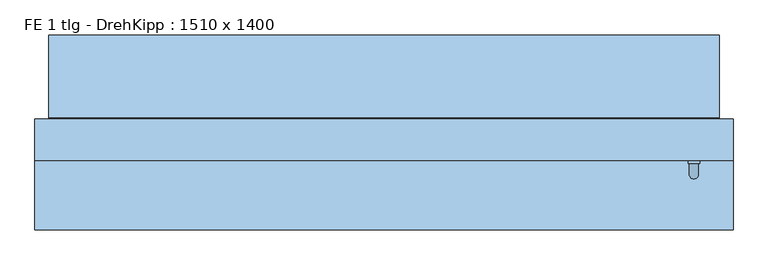
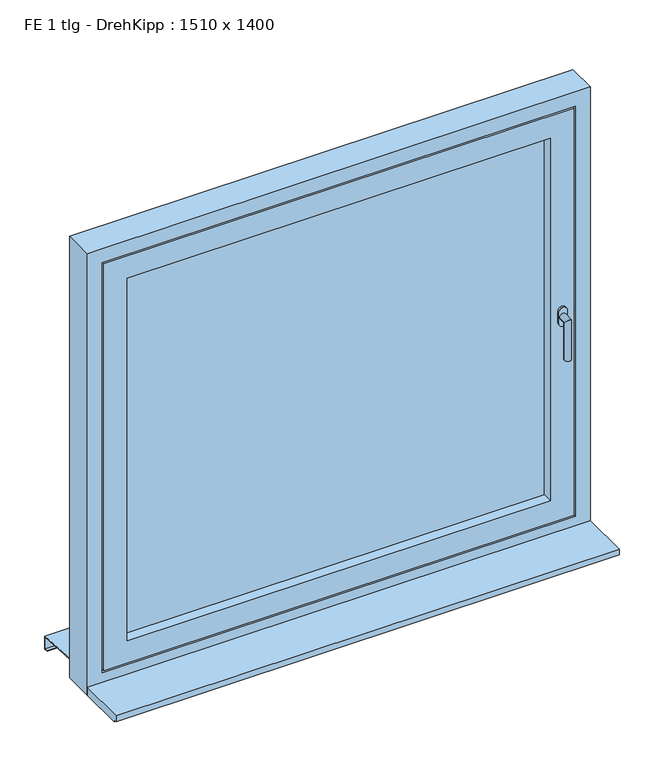
"""IFC4 building model written with IfcOpenShell, lengths in millimetres: window geometry, FE 1 tlg - DrehKipp : 1510 x 1400."""

from ifc_helpers import new_model, si_unit, frame, origin, place, context, project, spatial, polyline, circle_curve, ellipse_curve, outline, extrude, faceted_brep, source, transform, mapped, element, save
from ifc_brep_helpers import plane_surface, cylinder_surface, advanced_brep


def fe_1_tlg_drehkipp_1510_x_1400_32b6f65d(model_context):
    return source(origin(), model_context, "Body", "SolidModel", [
        advanced_brep(
        [(657.5, -50.0, 1572.5), (682.5, -50.0, 1572.5), (682.5, -50.0, 1555.0), (682.5, -50.0, 1537.5), (657.5, -50.0, 1537.5), (657.5, -50.0, 1555.0), (680.0, -80.0, 1555.0), (680.0, -56.0, 1555.0), (660.0, -56.0, 1555.0), (660.0, -80.0, 1555.0), (680.0, -80.0, 1435.0), (660.0, -80.0, 1435.0), (657.5, -56.0, 1572.5), (657.5, -56.0, 1555.0), (657.5, -56.0, 1537.5), (682.5, -56.0, 1537.5), (682.5, -56.0, 1555.0), (682.5, -56.0, 1572.5)],
        [
            (0, 1, circle_curve(frame((670.0, -50.0, 1572.5), z_axis=(0.0, 1.0, 0.0), x_axis=(-1.0, 0.0, 0.0)), 12.5)),
            (1, 2),
            (2, 3),
            (3, 4, circle_curve(frame((670.0, -50.0, 1537.5), z_axis=(0.0, 1.0, 0.0), x_axis=(-1.0, 0.0, 0.0)), 12.5)),
            (4, 5),
            (5, 0),
            (6, 7),
            (7, 8, circle_curve(frame((670.0, -56.0, 1555.0), z_axis=(0.0, -1.0, 0.0), x_axis=(-1.0, 0.0, 0.0)), 10.0)),
            (8, 9),
            (9, 6, ellipse_curve(frame((670.0, -80.0, 1555.0), z_axis=(0.0, 0.7071067811865498, 0.7071067811865451), x_axis=(0.0, 0.7071067811865452, -0.7071067811865497)), 14.1421356, 10.0)),
            (8, 7, circle_curve(frame((670.0, -56.0, 1555.0), z_axis=(0.0, -1.0, 0.0), x_axis=(-1.0, 0.0, 0.0)), 10.0)),
            (6, 9, ellipse_curve(frame((670.0, -80.0, 1555.0), z_axis=(0.0, 0.7071067811865498, 0.7071067811865451), x_axis=(0.0, 0.7071067811865452, -0.7071067811865497)), 14.1421356, 10.0)),
            (10, 11, circle_curve(frame((670.0, -80.0, 1435.0), z_axis=(0.0, 0.0, -1.0), x_axis=(-1.0, 0.0, 0.0)), 10.0)),
            (11, 10, circle_curve(frame((670.0, -80.0, 1435.0), z_axis=(0.0, 0.0, -1.0), x_axis=(-1.0, 0.0, 0.0)), 10.0)),
            (9, 11),
            (10, 6),
            (12, 13),
            (13, 14),
            (14, 15, circle_curve(frame((670.0, -56.0, 1537.5), z_axis=(0.0, -1.0, 0.0), x_axis=(-1.0, 0.0, 0.0)), 12.5)),
            (15, 16),
            (16, 17),
            (17, 12, circle_curve(frame((670.0, -56.0, 1572.5), z_axis=(0.0, -1.0, 0.0), x_axis=(-1.0, 0.0, 0.0)), 12.5)),
            (17, 1),
            (0, 12),
            (16, 2),
            (15, 3),
            (14, 4),
            (13, 5),
        ],
        [
            plane_surface(frame((670.0, -50.0, 1555.0), z_axis=(0.0, 1.0, 0.0), x_axis=(-1.0, 0.0, 0.0))),
            cylinder_surface(frame((670.0, -50.0, 1555.0), z_axis=(0.0, 1.0, 0.0), x_axis=(-1.0, 0.0, 0.0)), 10.0),
            plane_surface(frame((670.0, -80.0, 1435.0), z_axis=(0.0, 0.0, -1.0), x_axis=(-1.0, 0.0, 0.0))),
            cylinder_surface(frame((670.0, -80.0, 1555.0), z_axis=(0.0, 0.0, 1.0), x_axis=(-1.0, 0.0, 0.0)), 10.0),
            plane_surface(frame((657.5, -56.0, 1572.5), z_axis=(0.0, -1.0, 0.0), x_axis=(0.0, 0.0, 1.0))),
            cylinder_surface(frame((670.0, -50.0, 1572.5), z_axis=(0.0, -1.0, 0.0), x_axis=(-1.0, 0.0, 0.0)), 12.5),
            plane_surface(frame((682.5, -56.0, 1572.5), z_axis=(1.0, 0.0, 0.0), x_axis=(0.0, 1.0, 0.0))),
            plane_surface(frame((682.5, -56.0, 1555.0), z_axis=(1.0, 0.0, 0.0), x_axis=(0.0, 1.0, 0.0))),
            cylinder_surface(frame((670.0, -50.0, 1537.5), z_axis=(0.0, -1.0, 0.0), x_axis=(-1.0, 0.0, 0.0)), 12.5),
            plane_surface(frame((657.5, -56.0, 1537.5), z_axis=(-1.0, 0.0, 0.0), x_axis=(0.0, 1.0, 0.0))),
            plane_surface(frame((657.5, -56.0, 1555.0), z_axis=(-1.0, 0.0, 0.0), x_axis=(0.0, 1.0, 0.0))),
        ],
        [
            (0, [[1, 2, 3, 4, 5, 6]]),
            (1, [[7, 8, 9, 10]]),
            (1, [[-9, 11, -7, 12]]),
            (2, [[13, 14]]),
            (3, [[15, -13, 16, -10]]),
            (3, [[-16, -14, -15, -12]]),
            (4, [[17, 18, 19, 20, 21, 22], [-11, -8]]),
            (5, [[23, -1, 24, -22]]),
            (6, [[25, -2, -23, -21]]),
            (7, [[26, -3, -25, -20]]),
            (8, [[27, -4, -26, -19]]),
            (9, [[28, -5, -27, -18]]),
            (10, [[-24, -6, -28, -17]]),
        ],
    ),
        faceted_brep([(-635.0, -50.0, 2130.0), (-635.0, -50.0, 980.0), (-635.0, 40.0, 980.0), (-635.0, 40.0, 2130.0), (-665.0, 40.0, 950.0), (-665.0, 40.0, 2160.0), (665.0, 40.0, 2160.0), (665.0, 40.0, 950.0), (635.0, 40.0, 980.0), (635.0, 40.0, 2130.0), (635.0, -50.0, 980.0), (-705.0, -50.0, 2200.0), (-705.0, -50.0, 910.0), (705.0, -50.0, 910.0), (705.0, -50.0, 2200.0), (635.0, -50.0, 2130.0), (-705.0, -35.0, 2200.0), (-705.0, -35.0, 910.0), (705.0, -35.0, 910.0), (705.0, -35.0, 2200.0), (-690.0, -35.0, 2185.0), (-690.0, -35.0, 925.0), (690.0, -35.0, 925.0), (690.0, -35.0, 2185.0), (-690.0, -5.0, 2185.0), (-690.0, -5.0, 925.0), (690.0, -5.0, 925.0), (690.0, -5.0, 2185.0), (-680.0, -5.0, 2175.0), (-680.0, -5.0, 935.0), (680.0, -5.0, 935.0), (680.0, -5.0, 2175.0), (-680.0, 25.0, 2175.0), (-680.0, 25.0, 935.0), (680.0, 25.0, 935.0), (680.0, 25.0, 2175.0), (-665.0, 25.0, 2160.0), (-665.0, 25.0, 950.0), (665.0, 25.0, 950.0), (665.0, 25.0, 2160.0)], [[[0, 1, 2, 3]], [[4, 5, 6, 7], [3, 2, 8, 9]], [[1, 10, 8, 2]], [[11, 12, 13, 14], [1, 0, 15, 10]], [[16, 17, 12, 11]], [[17, 18, 13, 12]], [[17, 16, 19, 18], [20, 21, 22, 23]], [[24, 25, 21, 20]], [[25, 26, 22, 21]], [[25, 24, 27, 26], [28, 29, 30, 31]], [[32, 33, 29, 28]], [[33, 34, 30, 29]], [[33, 32, 35, 34], [36, 37, 38, 39]], [[5, 4, 37, 36]], [[4, 7, 38, 37]], [[10, 15, 9, 8]], [[18, 19, 14, 13]], [[26, 27, 23, 22]], [[34, 35, 31, 30]], [[7, 6, 39, 38]], [[15, 0, 3, 9]], [[19, 16, 11, 14]], [[27, 24, 20, 23]], [[35, 32, 28, 31]], [[6, 5, 36, 39]]]),
        extrude(outline(polyline([(-635.0, 25.0), (635.0, 25.0), (635.0, -19.0), (-635.0, -19.0), (-635.0, 25.0)])), frame((0.0, 0.0, 980.0), z_axis=(0.0, 0.0, 1.0), x_axis=(1.0, 0.0, 0.0)), (0.0, 0.0, 1.0), 1150.0),
        faceted_brep([(-725.0, 222.0, 860.6252434), (-725.0, 200.0, 862.0002434), (-725.0, 42.0, 871.8752434), (725.0, 42.0, 871.8752434), (725.0, 200.0, 862.0002434), (725.0, 222.0, 860.6252434), (-725.0, 222.0, 820.6252434), (725.0, 222.0, 820.6252434), (-725.0, 210.0, 820.6252434), (725.0, 210.0, 820.6252434), (-725.0, 210.0, 822.6252434), (725.0, 210.0, 822.6252434), (-725.0, 220.0, 822.6252434), (725.0, 220.0, 822.6252434), (-725.0, 220.0, 858.75), (725.0, 220.0, 858.75), (-725.0, 200.0, 860.0), (725.0, 200.0, 860.0), (725.0, 40.0, 870.0), (-725.0, 40.0, 870.0), (-725.0, 40.0, 890.0), (725.0, 40.0, 890.0), (-725.0, 42.0, 890.0), (725.0, 42.0, 890.0)], [[[0, 1, 2, 3, 4, 5]], [[6, 0, 5, 7]], [[8, 6, 7, 9]], [[10, 8, 9, 11]], [[12, 10, 11, 13]], [[14, 12, 13, 15]], [[16, 14, 15, 17, 18, 19]], [[20, 19, 18, 21]], [[22, 20, 21, 23]], [[2, 22, 23, 3]], [[16, 1, 0, 6, 8, 10, 12, 14]], [[17, 4, 3, 23, 21, 18]], [[1, 16, 19, 20, 22, 2]], [[4, 17, 15, 13, 11, 9, 7, 5]]]),
        faceted_brep([(755.0, 40.0, 850.0), (755.0, -50.0, 850.0), (-755.0, -50.0, 850.0), (-755.0, 40.0, 850.0), (755.0, 40.0, 2250.0), (755.0, -50.0, 2250.0), (-755.0, -50.0, 2250.0), (710.0, -50.0, 2205.0), (710.0, -50.0, 905.0), (-710.0, -50.0, 905.0), (-710.0, -50.0, 2205.0), (-755.0, 40.0, 2250.0), (670.0, 40.0, 945.0), (670.0, 40.0, 2165.0), (-670.0, 40.0, 2165.0), (-670.0, 40.0, 945.0), (670.0, 25.0, 945.0), (670.0, 25.0, 2165.0), (-670.0, 25.0, 945.0), (-670.0, 25.0, 2165.0), (710.0, -35.0, 2205.0), (710.0, -35.0, 905.0), (-710.0, -35.0, 905.0), (-710.0, -35.0, 2205.0), (695.0, -35.0, 2190.0), (695.0, -35.0, 920.0), (-695.0, -35.0, 920.0), (-695.0, -35.0, 2190.0), (695.0, -5.0, 920.0), (695.0, -5.0, 2190.0), (-695.0, -5.0, 2190.0), (-695.0, -5.0, 920.0), (685.0, -5.0, 2180.0), (685.0, -5.0, 930.0), (-685.0, -5.0, 930.0), (-685.0, -5.0, 2180.0), (685.0, 25.0, 930.0), (685.0, 25.0, 2180.0), (-685.0, 25.0, 2180.0), (-685.0, 25.0, 930.0)], [[[0, 1, 2, 3]], [[4, 5, 1, 0]], [[5, 6, 2, 1], [7, 8, 9, 10]], [[6, 11, 3, 2]], [[11, 4, 0, 3], [12, 13, 14, 15]], [[12, 16, 17, 13]], [[18, 15, 14, 19]], [[16, 12, 15, 18]], [[20, 21, 8, 7]], [[8, 21, 22, 9]], [[9, 22, 23, 10]], [[21, 20, 23, 22], [24, 25, 26, 27]], [[28, 29, 30, 31], [32, 33, 34, 35]], [[29, 28, 25, 24]], [[25, 28, 31, 26]], [[36, 37, 38, 39], [17, 16, 18, 19]], [[37, 36, 33, 32]], [[33, 36, 39, 34]], [[26, 31, 30, 27]], [[34, 39, 38, 35]], [[4, 11, 6, 5]], [[20, 7, 10, 23]], [[29, 24, 27, 30]], [[37, 32, 35, 38]], [[13, 17, 19, 14]]]),
        extrude(outline(polyline([(-200.0, 875.0), (-50.0, 875.0), (-50.0, 850.0), (-190.0, 850.0), (-190.0, 857.0), (-200.0, 857.0), (-200.0, 875.0)])), frame((-755.0, 0.0, 0.0), z_axis=(1.0, 0.0, 0.0), x_axis=(0.0, 1.0, 0.0)), (0.0, 0.0, 1.0), 1510.0),
    ])


if __name__ == "__main__":
    model = new_model("IFC4")
    model_context = context("Model", 3, world=origin())
    ifc_project = project(units=[si_unit("LENGTHUNIT", "METRE", prefix="MILLI")], contexts=[model_context])
    site = spatial("IfcSite", under=ifc_project)
    building = spatial("IfcBuilding", under=site)
    placement = place(None, origin())
    fe_1_tlg_drehkipp_1510_x_1400_shape = fe_1_tlg_drehkipp_1510_x_1400_32b6f65d(model_context)
    element("IfcWindow", 1, ObjectType="FE 1 tlg - DrehKipp : 1510 x 1400", at=placement, inside=building, context=model_context, shape_type="MappedRepresentation", body=[
        mapped(fe_1_tlg_drehkipp_1510_x_1400_shape, transform((0.0, 0.0, 0.0), x_axis=(1.0, 0.0, 0.0), y_axis=(0.0, 1.0, 0.0), z_axis=(0.0, 0.0, 1.0))),
    ])
    save(model, "model.ifc")
